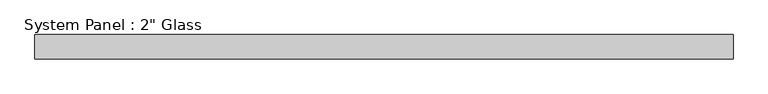
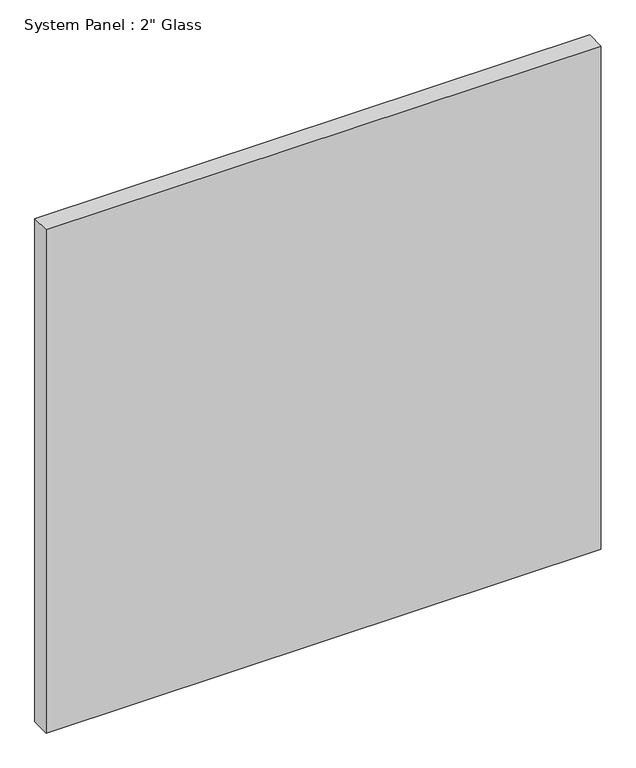
"""IFC4 building model written with IfcOpenShell, lengths in millimetres: plate geometry."""

from ifc_helpers import new_model, si_unit, origin, origin_with_axes, place, context, project, spatial, polyline, outline, extrude, source, transform, mapped, element, save


def plate_a60c6f3f(model_context):
    return source(origin(), model_context, "Body", "SweptSolid", [
        extrude(outline(polyline([(729.2430865, -25.4), (-729.2430865, -25.4), (-729.2430865, 25.4), (729.2430865, 25.4), (729.2430865, -25.4)])), origin_with_axes(), (0.0, 0.0, 1.0), 1397.5261731),
    ])


if __name__ == "__main__":
    model = new_model("IFC4")
    model_context = context("Model", 3, world=origin())
    ifc_project = project(units=[si_unit("LENGTHUNIT", "METRE", prefix="MILLI")], contexts=[model_context])
    site = spatial("IfcSite", under=ifc_project)
    building = spatial("IfcBuilding", under=site)
    placement = place(None, origin())
    plate_shape = plate_a60c6f3f(model_context)
    element("IfcPlate", 1, ObjectType="System Panel : 2\" Glass", at=placement, inside=building, context=model_context, shape_type="MappedRepresentation", body=[
        mapped(plate_shape, transform((0.0, 0.0, 0.0), x_axis=(1.0, 0.0, 0.0), y_axis=(0.0, 1.0, 0.0), z_axis=(0.0, 0.0, 1.0))),
    ])
    save(model, "model.ifc")
